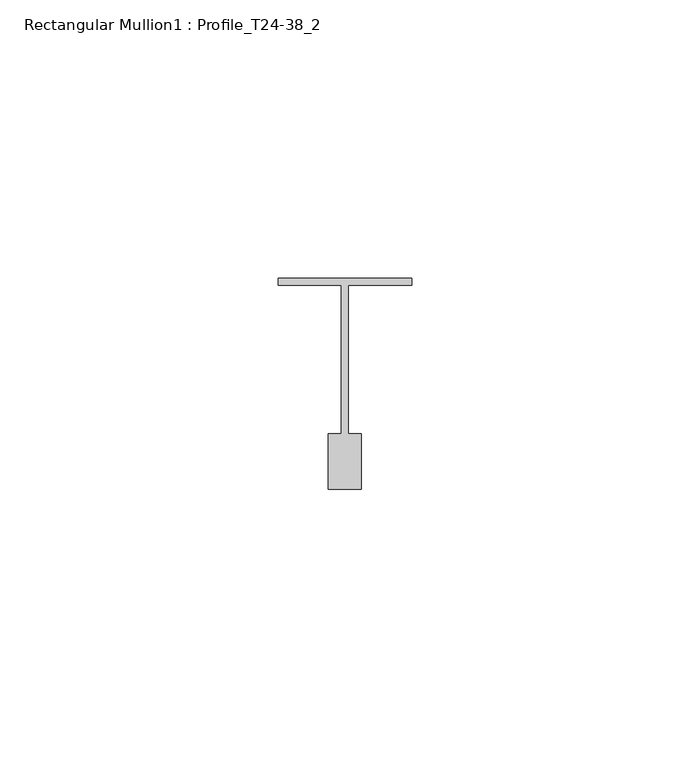
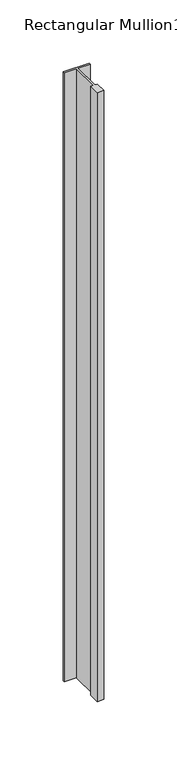
"""IFC4 building model written with IfcOpenShell, lengths in millimetres: member geometry, Rectangular Mullion1 : Profile_T24-38_2."""

from ifc_helpers import new_model, si_unit, frame, origin, place, context, project, spatial, polyline, outline, extrude, source, transform, mapped, element, save


def rectangular_mullion1_profile_t24_38_2_2e239b7c(model_context):
    return source(origin(), model_context, "Body", "SweptSolid", [
        extrude(outline(polyline([(-24.0, -0.5), (0.0, -0.5), (0.0, -1.75), (-11.4, -1.75), (-11.4, -28.5), (-9.0, -28.5), (-9.0, -38.5), (-15.0, -38.5), (-15.0, -28.5), (-12.6, -28.5), (-12.6, -1.75), (-24.0, -1.75), (-24.0, -0.5)])), frame((0.0, 0.0, -588.0), z_axis=(0.0, 0.0, 1.0), x_axis=(1.0, 0.0, 0.0)), (0.0, 0.0, 1.0), 588.0),
    ])


if __name__ == "__main__":
    model = new_model("IFC4")
    model_context = context("Model", 3, world=origin())
    ifc_project = project(units=[si_unit("LENGTHUNIT", "METRE", prefix="MILLI")], contexts=[model_context])
    site = spatial("IfcSite", under=ifc_project)
    building = spatial("IfcBuilding", under=site)
    placement = place(None, origin())
    rectangular_mullion1_profile_t24_38_2_shape = rectangular_mullion1_profile_t24_38_2_2e239b7c(model_context)
    element("IfcMember", 1, ObjectType="Rectangular Mullion1 : Profile_T24-38_2", at=placement, inside=building, context=model_context, shape_type="MappedRepresentation", body=[
        mapped(rectangular_mullion1_profile_t24_38_2_shape, transform((0.0, 0.0, 0.0), x_axis=(1.0, 0.0, 0.0), y_axis=(0.0, 1.0, 0.0), z_axis=(0.0, 0.0, 1.0))),
    ])
    save(model, "model.ifc")
